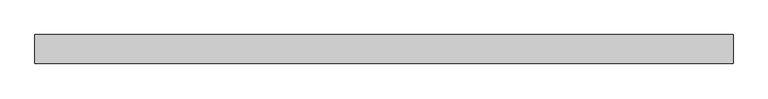
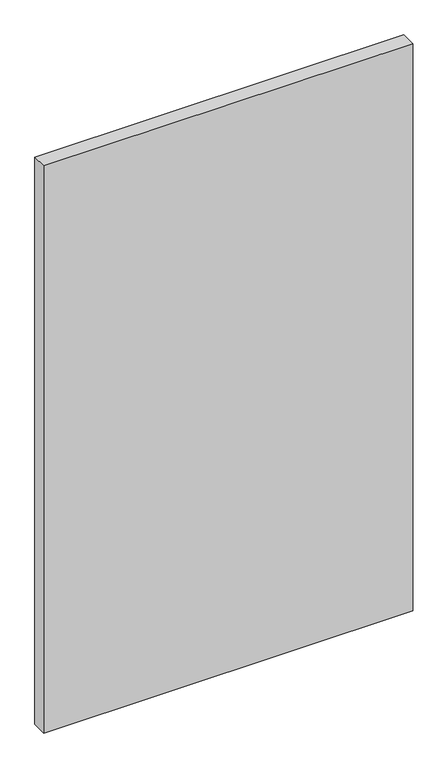
"""IFC4 building model written with IfcOpenShell, lengths in millimetres: proxy geometry."""

from ifc_helpers import new_model, si_unit, frame, origin, place, context, project, spatial, polyline, outline, extrude, source, transform, mapped, element, save


def generic_models_ae67d1ca(model_context):
    return source(origin(), model_context, "Body", "SweptSolid", [
        extrude(outline(polyline([(609.6, 0.0), (-609.6, 0.0), (-609.6, 50.8), (609.6, 50.8), (609.6, 0.0)])), frame((0.0, 0.0, 152.4), z_axis=(0.0, 0.0, 1.0), x_axis=(1.0, 0.0, 0.0)), (0.0, 0.0, 1.0), 1981.2),
    ])


if __name__ == "__main__":
    model = new_model("IFC4")
    model_context = context("Model", 3, world=origin())
    ifc_project = project(units=[si_unit("LENGTHUNIT", "METRE", prefix="MILLI")], contexts=[model_context])
    site = spatial("IfcSite", under=ifc_project)
    building = spatial("IfcBuilding", under=site)
    placement = place(None, origin())
    generic_models_shape = generic_models_ae67d1ca(model_context)
    element("IfcBuildingElementProxy", 1, Name="Generic Models", at=placement, inside=building, context=model_context, shape_type="MappedRepresentation", body=[
        mapped(generic_models_shape, transform((0.0, 0.0, 0.0), x_axis=(1.0, 0.0, 0.0), y_axis=(0.0, 1.0, 0.0), z_axis=(0.0, 0.0, 1.0))),
    ])
    save(model, "model.ifc")
